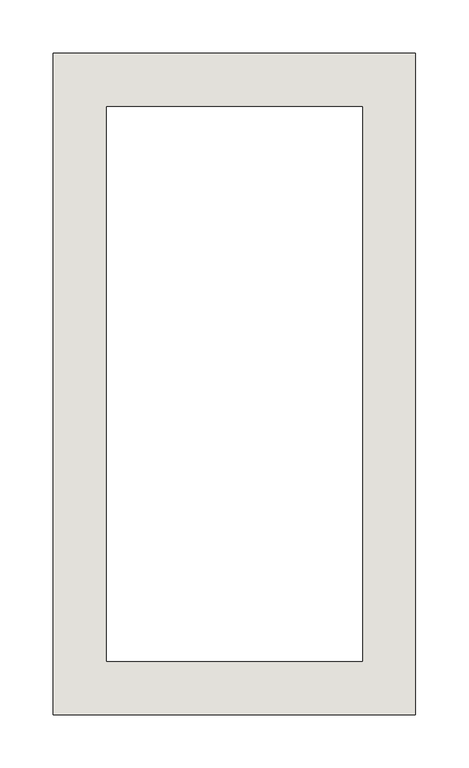
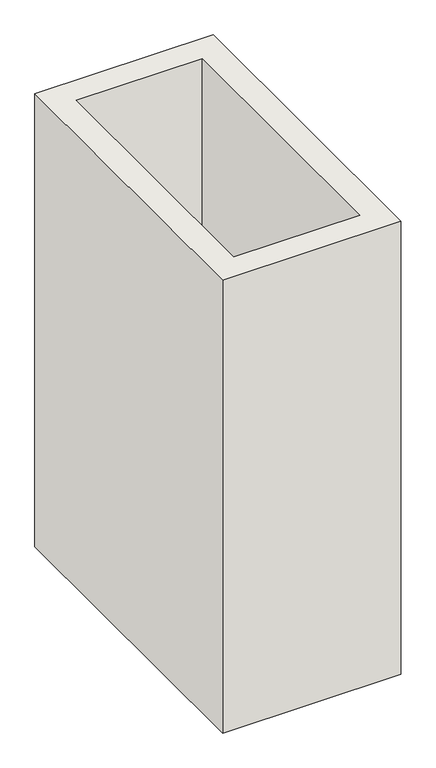
"""IFC4 building model written with IfcOpenShell, lengths in millimetres: wall geometry."""

from ifc_helpers import new_model, si_unit, frame, origin, place, context, project, spatial, polyline, outline, extrude, source, transform, mapped, element, save


def wall_4b8ff891(model_context):
    return source(origin(), model_context, "Body", "SweptSolid", [
        extrude(outline(polyline([(-1902.9272492, -1754.7138206), (-1902.9272492, -1134.7138206), (-1562.9272492, -1134.7138206), (-1562.9272492, -1754.7138206), (-1902.9272492, -1754.7138206)]), holes=[polyline([(-1612.9272492, -1704.7138206), (-1612.9272492, -1184.7138206), (-1852.9272492, -1184.7138206), (-1852.9272492, -1704.7138206), (-1612.9272492, -1704.7138206)])]), frame((0.0, 0.0, 7497.1915166), z_axis=(0.0, 0.0, 1.0), x_axis=(1.0, 0.0, 0.0)), (0.0, 0.0, 1.0), 912.8084833),
    ])


if __name__ == "__main__":
    model = new_model("IFC4")
    model_context = context("Model", 3, world=origin())
    ifc_project = project(units=[si_unit("LENGTHUNIT", "METRE", prefix="MILLI")], contexts=[model_context])
    site = spatial("IfcSite", under=ifc_project)
    building = spatial("IfcBuilding", under=site)
    placement = place(None, origin())
    wall_shape = wall_4b8ff891(model_context)
    element("IfcWall", 1, at=placement, inside=building, context=model_context, shape_type="MappedRepresentation", body=[
        mapped(wall_shape, transform((0.0, 0.0, 0.0), x_axis=(1.0, 0.0, 0.0), y_axis=(0.0, 1.0, 0.0), z_axis=(0.0, 0.0, 1.0))),
    ])
    save(model, "model.ifc")
